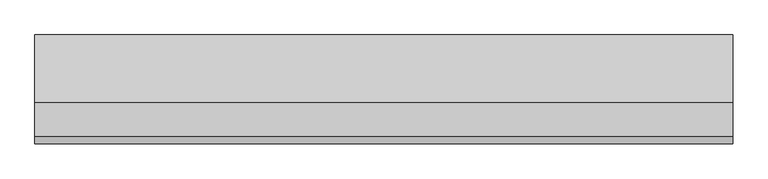
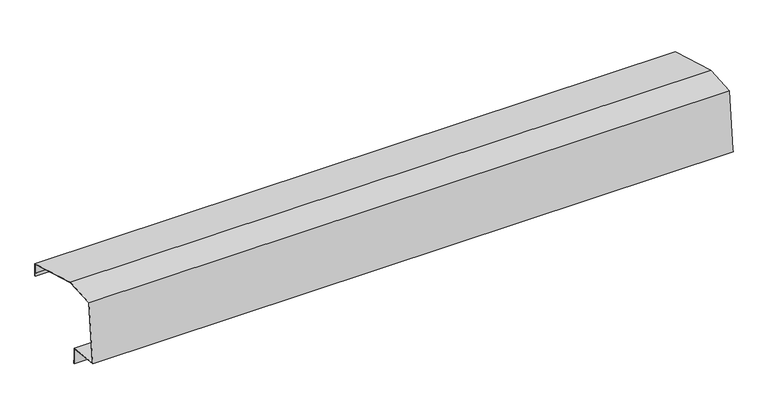
"""IFC4 building model written with IfcOpenShell, lengths in millimetres: proxy geometry."""

from ifc_helpers import new_model, si_unit, origin, place, context, project, spatial, faceted_brep, source, transform, mapped, element, save


def generic_models_0626ac61(model_context):
    return source(origin(), model_context, "Body", "Brep", [
        faceted_brep([(0.0, -102.7585477, 0.0), (0.0, -103.764056, 0.0), (0.0, -84.5917815, 182.4120064), (0.0, 15.1646235, 189.3876538), (0.0, 207.4169627, 134.2601827), (0.0, 207.4169627, 94.2601827), (0.0, 204.4169627, 94.2601827), (0.0, 204.4169627, 104.2601827), (0.0, 205.4169627, 104.2601827), (0.0, 205.4169627, 95.2601827), (0.0, 206.4169627, 95.2601827), (0.0, 206.4169627, 133.5066286), (0.0, 15.0584825, 188.3777898), (0.0, -83.6849694, 181.472975), (0.0, -103.3531392, -5.6571602), (0.0, -4.0, -16.099596), (0.0, -4.0, -66.0), (0.0, -3.0, -66.0), (0.0, -3.0, -57.0), (0.0, -2.0, -57.0), (0.0, -2.0, -67.0), (0.0, -5.0, -67.0), (0.0, -5.0, -17.0), (0.0, -104.4521895, -6.5471537), (2000.0, -103.764056, 0.0), (2000.0, -102.7585477, 0.0), (2000.0, -83.6849694, 181.472975), (2000.0, 15.0584825, 188.3777898), (2000.0, 206.4169627, 133.5066286), (2000.0, 206.4169627, 95.2601827), (2000.0, 205.4169627, 95.2601827), (2000.0, 205.4169627, 104.2601827), (2000.0, 204.4169627, 104.2601827), (2000.0, 204.4169627, 94.2601827), (2000.0, 207.4169627, 94.2601827), (2000.0, 207.4169627, 134.2601827), (2000.0, 15.1646235, 189.3876538), (2000.0, -84.5917815, 182.4120064), (2000.0, -104.4521895, -6.5471537), (2000.0, -5.0, -17.0), (2000.0, -5.0, -67.0), (2000.0, -2.0, -67.0), (2000.0, -2.0, -57.0), (2000.0, -3.0, -57.0), (2000.0, -3.0, -66.0), (2000.0, -4.0, -66.0), (2000.0, -4.0, -16.099596), (2000.0, -103.3531392, -5.6571602)], [[[0, 1, 2, 3, 4, 5, 6, 7, 8, 9, 10, 11, 12, 13]], [[1, 0, 14, 15, 16, 17, 18, 19, 20, 21, 22, 23]], [[24, 25, 26, 27, 28, 29, 30, 31, 32, 33, 34, 35, 36, 37]], [[25, 24, 38, 39, 40, 41, 42, 43, 44, 45, 46, 47]], [[23, 22, 39, 38]], [[22, 21, 40, 39]], [[7, 6, 33, 32]], [[21, 20, 41, 40]], [[20, 19, 42, 41]], [[6, 5, 34, 33]], [[9, 8, 31, 30]], [[5, 4, 35, 34]], [[4, 3, 36, 35]], [[3, 2, 37, 36]], [[2, 1, 23, 38, 24, 37]], [[19, 18, 43, 42]], [[18, 17, 44, 43]], [[17, 16, 45, 44]], [[16, 15, 46, 45]], [[15, 14, 47, 46]], [[0, 13, 26, 25, 47, 14]], [[13, 12, 27, 26]], [[12, 11, 28, 27]], [[11, 10, 29, 28]], [[10, 9, 30, 29]], [[8, 7, 32, 31]]]),
    ])


if __name__ == "__main__":
    model = new_model("IFC4")
    model_context = context("Model", 3, world=origin())
    ifc_project = project(units=[si_unit("LENGTHUNIT", "METRE", prefix="MILLI")], contexts=[model_context])
    site = spatial("IfcSite", under=ifc_project)
    building = spatial("IfcBuilding", under=site)
    placement = place(None, origin())
    generic_models_shape = generic_models_0626ac61(model_context)
    element("IfcBuildingElementProxy", 1, Name="Generic Models", at=placement, inside=building, context=model_context, shape_type="MappedRepresentation", body=[
        mapped(generic_models_shape, transform((0.0, 0.0, 0.0), x_axis=(1.0, 0.0, 0.0), y_axis=(0.0, 1.0, 0.0), z_axis=(0.0, 0.0, 1.0))),
    ])
    save(model, "model.ifc")
